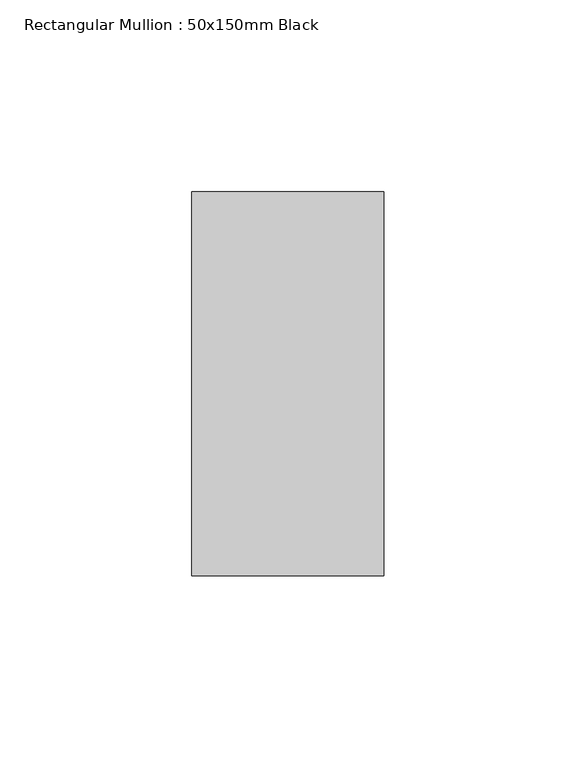
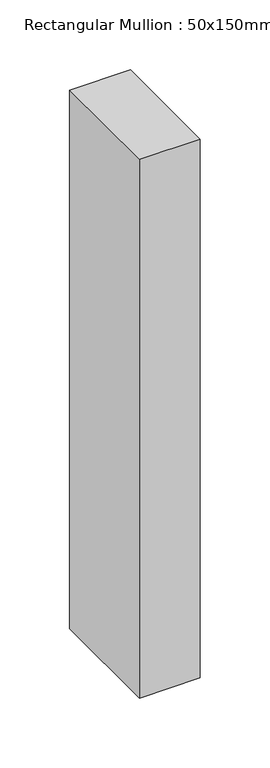
"""IFC4 building model written with IfcOpenShell, lengths in millimetres: member geometry, Rectangular Mullion : 50x150mm Black."""

from ifc_helpers import new_model, si_unit, frame, origin, place, context, project, spatial, polyline, outline, extrude, source, transform, mapped, element, save


def rectangular_mullion_50x150mm_black_11b19a68(model_context):
    return source(origin(), model_context, "Body", "SweptSolid", [
        extrude(outline(polyline([(0.0, 50.0), (0.0, -50.0), (-50.0, -50.0), (-50.0, 50.0), (0.0, 50.0)])), frame((0.0, 0.0, -470.0), z_axis=(0.0, 0.0, 1.0), x_axis=(1.0, 0.0, 0.0)), (0.0, 0.0, 1.0), 470.0),
    ])


if __name__ == "__main__":
    model = new_model("IFC4")
    model_context = context("Model", 3, world=origin())
    ifc_project = project(units=[si_unit("LENGTHUNIT", "METRE", prefix="MILLI")], contexts=[model_context])
    site = spatial("IfcSite", under=ifc_project)
    building = spatial("IfcBuilding", under=site)
    placement = place(None, origin())
    rectangular_mullion_50x150mm_black_shape = rectangular_mullion_50x150mm_black_11b19a68(model_context)
    element("IfcMember", 1, ObjectType="Rectangular Mullion : 50x150mm Black", at=placement, inside=building, context=model_context, shape_type="MappedRepresentation", body=[
        mapped(rectangular_mullion_50x150mm_black_shape, transform((0.0, 0.0, 0.0), x_axis=(1.0, 0.0, 0.0), y_axis=(0.0, 1.0, 0.0), z_axis=(0.0, 0.0, 1.0))),
    ])
    save(model, "model.ifc")
